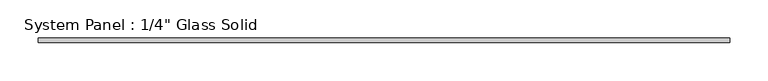
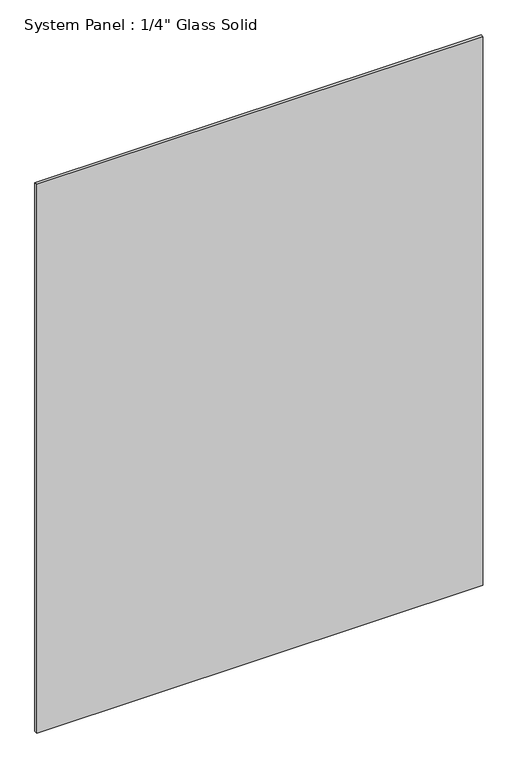
"""IFC4 building model written with IfcOpenShell, lengths in millimetres: plate geometry."""

from ifc_helpers import new_model, si_unit, origin, origin_with_axes, place, context, project, spatial, polyline, outline, extrude, source, transform, mapped, element, save


def plate_823a6691(model_context):
    return source(origin(), model_context, "Body", "SweptSolid", [
        extrude(outline(polyline([(454.6055865, -3.175), (-454.6055865, -3.175), (-454.6055865, 3.175), (454.6055865, 3.175), (454.6055865, -3.175)])), origin_with_axes(), (0.0, 0.0, 1.0), 1182.2594027),
    ])


if __name__ == "__main__":
    model = new_model("IFC4")
    model_context = context("Model", 3, world=origin())
    ifc_project = project(units=[si_unit("LENGTHUNIT", "METRE", prefix="MILLI")], contexts=[model_context])
    site = spatial("IfcSite", under=ifc_project)
    building = spatial("IfcBuilding", under=site)
    placement = place(None, origin())
    plate_shape = plate_823a6691(model_context)
    element("IfcPlate", 1, ObjectType="System Panel : 1/4\" Glass Solid", at=placement, inside=building, context=model_context, shape_type="MappedRepresentation", body=[
        mapped(plate_shape, transform((0.0, 0.0, 0.0), x_axis=(1.0, 0.0, 0.0), y_axis=(0.0, 1.0, 0.0), z_axis=(0.0, 0.0, 1.0))),
    ])
    save(model, "model.ifc")
